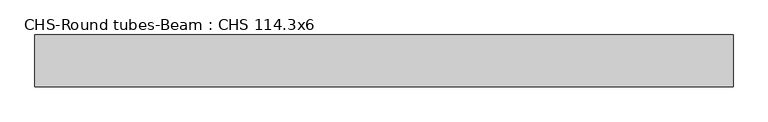
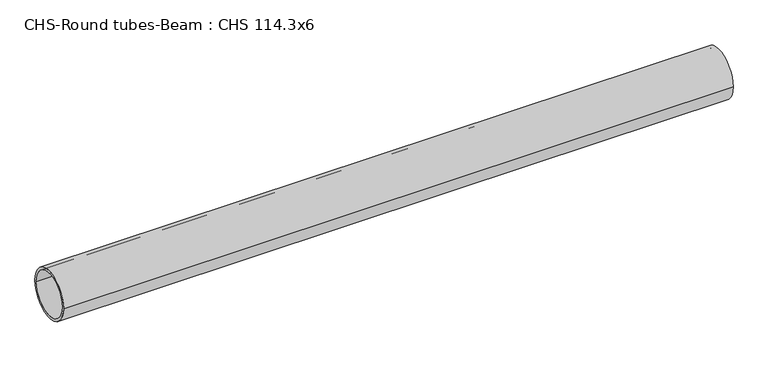
"""IFC4 building model written with IfcOpenShell, lengths in millimetres: beam geometry, CHS-Round tubes-Beam : CHS 114.3x6."""

from ifc_helpers import new_model, si_unit, point, frame, origin, origin_2d, place, context, project, spatial, circle_curve, trimmed, segment, composite_curve, outline, extrude, source, transform, mapped, element, save


def chs_round_tubes_beam_chs_114_3x6_10800e28(model_context):
    return source(origin(), model_context, "Body", "SweptSolid", [
        extrude(outline(composite_curve([segment(trimmed(circle_curve(origin_2d(), 57.15), [point((57.15, 0.0))], [point((-57.15, 0.0))], False, "CARTESIAN"), True, "CONTINUOUS"), segment(trimmed(circle_curve(origin_2d(), 57.15), [point((-57.15, 0.0))], [point((57.15, 0.0))], False, "CARTESIAN"), True, "CONTINUOUS")], self_intersect=False), holes=[composite_curve([segment(trimmed(circle_curve(origin_2d(), 51.15), [point((51.15, 0.0))], [point((-51.15, 0.0))], True, "CARTESIAN"), True, "CONTINUOUS"), segment(trimmed(circle_curve(origin_2d(), 51.15), [point((-51.15, 0.0))], [point((51.15, 0.0))], True, "CARTESIAN"), True, "CONTINUOUS")], self_intersect=False)]), frame((-761.6224564, 0.0, 0.0), z_axis=(1.0, 0.0, 0.0), x_axis=(0.0, 1.0, 0.0)), (0.0, 0.0, 1.0), 1543.2576999),
    ])


if __name__ == "__main__":
    model = new_model("IFC4")
    model_context = context("Model", 3, world=origin())
    ifc_project = project(units=[si_unit("LENGTHUNIT", "METRE", prefix="MILLI")], contexts=[model_context])
    site = spatial("IfcSite", under=ifc_project)
    building = spatial("IfcBuilding", under=site)
    placement = place(None, origin())
    chs_round_tubes_beam_chs_114_3x6_shape = chs_round_tubes_beam_chs_114_3x6_10800e28(model_context)
    element("IfcBeam", 1, ObjectType="CHS-Round tubes-Beam : CHS 114.3x6", at=placement, inside=building, context=model_context, shape_type="MappedRepresentation", body=[
        mapped(chs_round_tubes_beam_chs_114_3x6_shape, transform((0.0, 0.0, 0.0), x_axis=(1.0, 0.0, 0.0), y_axis=(0.0, 1.0, 0.0), z_axis=(0.0, 0.0, 1.0))),
    ])
    save(model, "model.ifc")
